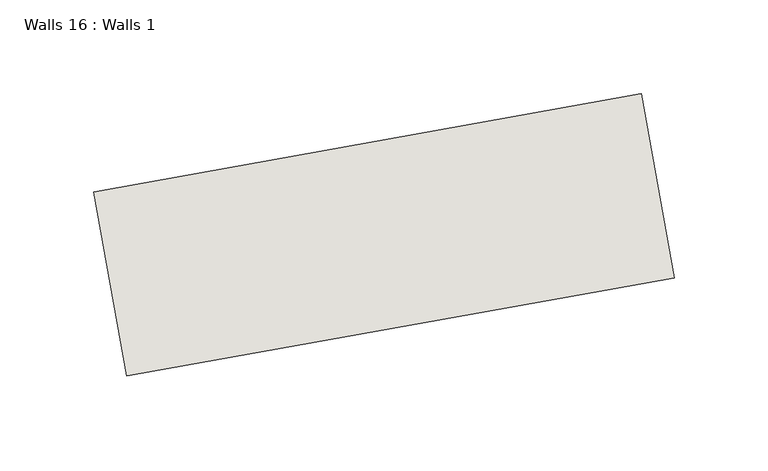
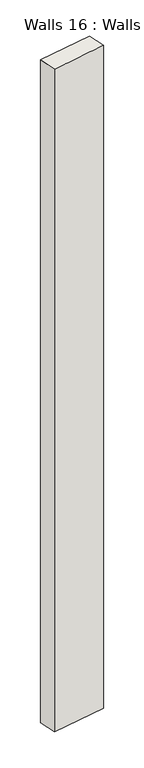
"""IFC4 building model written with IfcOpenShell, lengths in millimetres: wall geometry, Walls 16 : Walls 1."""

from ifc_helpers import new_model, si_unit, origin, origin_with_axes, place, context, project, spatial, polyline, outline, extrude, source, transform, mapped, element, save


def walls_16_walls_1_a0f55eed(model_context):
    return source(origin(), model_context, "Body", "SweptSolid", [
        extrude(outline(polyline([(12397.1399182, -4708.0730353), (12689.198985, -4655.6379155), (12706.8700475, -4754.0642003), (12414.8109808, -4806.4993201), (12397.1399182, -4708.0730353)])), origin_with_axes(), (0.0, 0.0, 1.0), 3740.5583551),
    ])


if __name__ == "__main__":
    model = new_model("IFC4")
    model_context = context("Model", 3, world=origin())
    ifc_project = project(units=[si_unit("LENGTHUNIT", "METRE", prefix="MILLI")], contexts=[model_context])
    site = spatial("IfcSite", under=ifc_project)
    building = spatial("IfcBuilding", under=site)
    placement = place(None, origin())
    walls_16_walls_1_shape = walls_16_walls_1_a0f55eed(model_context)
    element("IfcWall", 1, ObjectType="Walls 16 : Walls 1", at=placement, inside=building, context=model_context, shape_type="MappedRepresentation", body=[
        mapped(walls_16_walls_1_shape, transform((0.0, 0.0, 0.0), x_axis=(1.0, 0.0, 0.0), y_axis=(0.0, 1.0, 0.0), z_axis=(0.0, 0.0, 1.0))),
    ])
    save(model, "model.ifc")
